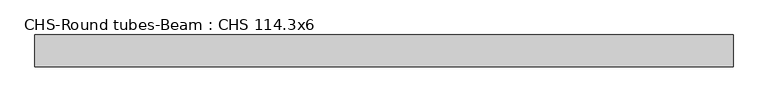
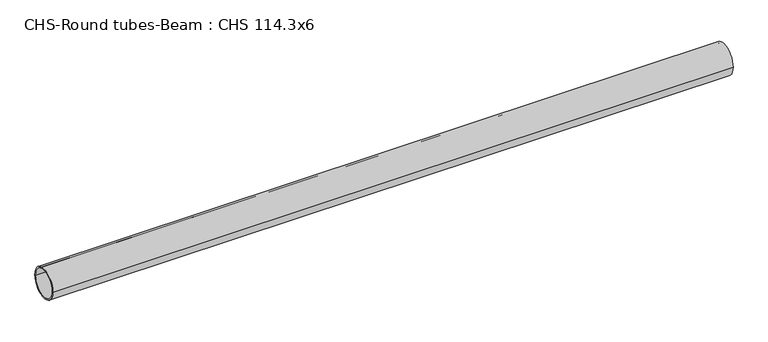
"""IFC4 building model written with IfcOpenShell, lengths in millimetres: beam geometry, CHS-Round tubes-Beam : CHS 114.3x6."""

from ifc_helpers import new_model, si_unit, point, frame, origin, origin_2d, place, context, project, spatial, circle_curve, trimmed, segment, composite_curve, outline, extrude, source, transform, mapped, element, save


def chs_round_tubes_beam_chs_114_3x6_f933626c(model_context):
    return source(origin(), model_context, "Body", "SweptSolid", [
        extrude(outline(composite_curve([segment(trimmed(circle_curve(origin_2d(), 57.15), [point((57.15, 0.0))], [point((-57.15, 0.0))], False, "CARTESIAN"), True, "CONTINUOUS"), segment(trimmed(circle_curve(origin_2d(), 57.15), [point((-57.15, 0.0))], [point((57.15, 0.0))], False, "CARTESIAN"), True, "CONTINUOUS")], self_intersect=False), holes=[composite_curve([segment(trimmed(circle_curve(origin_2d(), 51.15), [point((51.15, 0.0))], [point((-51.15, 0.0))], True, "CARTESIAN"), True, "CONTINUOUS"), segment(trimmed(circle_curve(origin_2d(), 51.15), [point((-51.15, 0.0))], [point((51.15, 0.0))], True, "CARTESIAN"), True, "CONTINUOUS")], self_intersect=False)]), frame((-1218.6724926, 0.0, 0.0), z_axis=(1.0, 0.0, 0.0), x_axis=(0.0, 1.0, 0.0)), (0.0, 0.0, 1.0), 2503.5003213),
    ])


if __name__ == "__main__":
    model = new_model("IFC4")
    model_context = context("Model", 3, world=origin())
    ifc_project = project(units=[si_unit("LENGTHUNIT", "METRE", prefix="MILLI")], contexts=[model_context])
    site = spatial("IfcSite", under=ifc_project)
    building = spatial("IfcBuilding", under=site)
    placement = place(None, origin())
    chs_round_tubes_beam_chs_114_3x6_shape = chs_round_tubes_beam_chs_114_3x6_f933626c(model_context)
    element("IfcBeam", 1, ObjectType="CHS-Round tubes-Beam : CHS 114.3x6", at=placement, inside=building, context=model_context, shape_type="MappedRepresentation", body=[
        mapped(chs_round_tubes_beam_chs_114_3x6_shape, transform((0.0, 0.0, 0.0), x_axis=(1.0, 0.0, 0.0), y_axis=(0.0, 1.0, 0.0), z_axis=(0.0, 0.0, 1.0))),
    ])
    save(model, "model.ifc")
